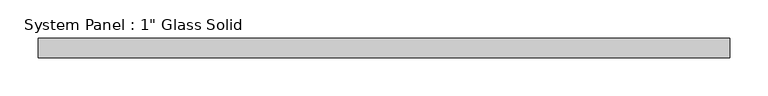
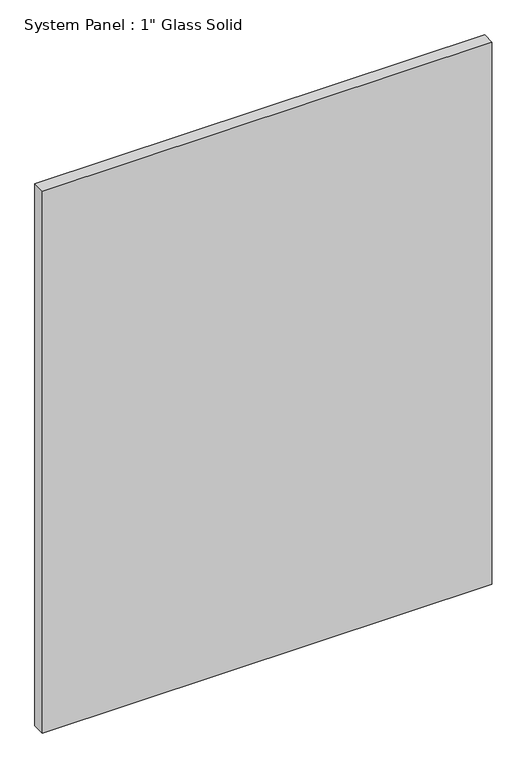
"""IFC4 building model written with IfcOpenShell, lengths in millimetres: plate geometry."""

from ifc_helpers import new_model, si_unit, origin, origin_with_axes, place, context, project, spatial, polyline, outline, extrude, source, transform, mapped, element, save


def plate_e5353787(model_context):
    return source(origin(), model_context, "Body", "SweptSolid", [
        extrude(outline(polyline([(453.0180865, -12.7), (-453.0180865, -12.7), (-453.0180865, 12.7), (453.0180865, 12.7), (453.0180865, -12.7)])), origin_with_axes(), (0.0, 0.0, 1.0), 1154.5441382),
    ])


if __name__ == "__main__":
    model = new_model("IFC4")
    model_context = context("Model", 3, world=origin())
    ifc_project = project(units=[si_unit("LENGTHUNIT", "METRE", prefix="MILLI")], contexts=[model_context])
    site = spatial("IfcSite", under=ifc_project)
    building = spatial("IfcBuilding", under=site)
    placement = place(None, origin())
    plate_shape = plate_e5353787(model_context)
    element("IfcPlate", 1, ObjectType="System Panel : 1\" Glass Solid", at=placement, inside=building, context=model_context, shape_type="MappedRepresentation", body=[
        mapped(plate_shape, transform((0.0, 0.0, 0.0), x_axis=(1.0, 0.0, 0.0), y_axis=(0.0, 1.0, 0.0), z_axis=(0.0, 0.0, 1.0))),
    ])
    save(model, "model.ifc")
